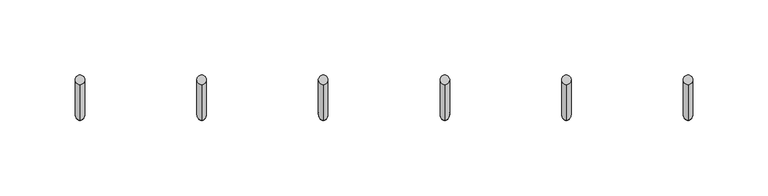
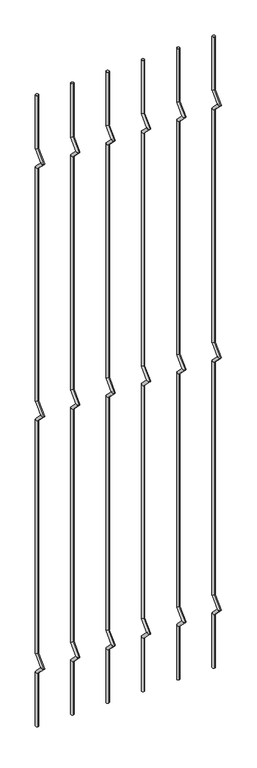
"""IFC4 building model written with IfcOpenShell, lengths in millimetres: railing geometry."""

import ifcopenshell
import ifcopenshell.guid

model = None  # the IFC model being written
_history = None  # IfcOwnerHistory: only IFC2X3 demands one
_inside = {}  # id of a spatial element -> (the spatial element, [elements in it])
_under = {}  # id of a project, library or spatial element -> (it, [spatial elements below it])
_declared = {}  # id of a project -> (the project, [libraries it declares])
_typed = {}  # id of a type object -> (the type object, [elements of that type])
_made_of = {}  # id of a material, layer set ... -> (it, [elements and type objects made of it])


def new_model(schema):
    """Start an empty IFC model of exactly this schema.

    Asked for "IFC4X3", IfcOpenShell would pick the latest addendum, in which some entities
    have other attributes; the version numbers below select the first issue.
    IFC2X3 requires an IfcOwnerHistory on every rooted entity: one is made here for all.
    """
    global model, _history
    if schema == "IFC4X3":
        model = ifcopenshell.file(schema_version=(4, 3, 0, 0))
    else:
        model = ifcopenshell.file(schema=schema)
    _inside.clear()
    _under.clear()
    _declared.clear()
    _typed.clear()
    _made_of.clear()
    _history = None
    if model.schema == "IFC2X3":
        org = make("IfcOrganization", Name="unknown")
        user = make(
            "IfcPersonAndOrganization",
            ThePerson=make("IfcPerson", FamilyName="unknown"),
            TheOrganization=org,
        )
        app = make(
            "IfcApplication",
            ApplicationDeveloper=org,
            Version="unknown",
            ApplicationFullName="unknown",
            ApplicationIdentifier="unknown",
        )
        _history = make(
            "IfcOwnerHistory",
            OwningUser=user,
            OwningApplication=app,
            ChangeAction="ADDED",
            CreationDate=0,
        )
    return model


def make(cls, **values):
    """One entity of the class cls with the attributes given. An attribute that is None is left unset."""
    return model.create_entity(
        cls, **{name: value for name, value in values.items() if value is not None}
    )


def rooted(cls, **values):
    """An entity with a GlobalId (a new one), such as an element, a storey or a relation."""
    return make(cls, GlobalId=ifcopenshell.guid.new(), OwnerHistory=_history, **values)


def si_unit(unit_type, name, prefix=None):
    """IfcSIUnit, for example si_unit("LENGTHUNIT", "METRE", prefix="MILLI")."""
    return make("IfcSIUnit", UnitType=unit_type, Prefix=prefix, Name=name)


def assignment(units):
    """IfcUnitAssignment: the units of a project."""
    return None if units is None else make("IfcUnitAssignment", Units=units)


def point(xyz):
    """IfcCartesianPoint."""
    return None if xyz is None else make("IfcCartesianPoint", Coordinates=xyz)


def direction(xyz):
    """IfcDirection."""
    return None if xyz is None else make("IfcDirection", DirectionRatios=xyz)


def frame(location, z_axis=None, x_axis=None):
    """IfcAxis2Placement3D, a coordinate frame: its origin and axes. An axis left out is left unset."""
    return make(
        "IfcAxis2Placement3D",
        Location=point(location),
        Axis=direction(z_axis),
        RefDirection=direction(x_axis),
    )


def origin():
    """The frame at (0, 0, 0) with its axes left unset."""
    return frame((0.0, 0.0, 0.0))


def place(relative_to, where):
    """IfcLocalPlacement: puts the frame where relative to a parent placement (None: the world)."""
    return make(
        "IfcLocalPlacement", PlacementRelTo=relative_to, RelativePlacement=where
    )


def context(
    kind, dimensions, precision=None, world=None, true_north=None, identifier=None
):
    """IfcGeometricRepresentationContext, for example the 3D "Model" context."""
    return make(
        "IfcGeometricRepresentationContext",
        ContextIdentifier=identifier,
        ContextType=kind,
        CoordinateSpaceDimension=dimensions,
        Precision=precision,
        WorldCoordinateSystem=world,
        TrueNorth=true_north,
    )


def project(units=None, contexts=None):
    """IfcProject with its units and contexts."""
    return rooted(
        "IfcProject",
        Name="project",
        RepresentationContexts=contexts,
        UnitsInContext=assignment(units),
    )


def spatial(cls, under=None, at=None, **own):
    """A site, building, storey or space (cls), placed at a placement, below another one or the project."""
    s = rooted(cls, ObjectPlacement=at, **own)
    if under is not None:
        _under.setdefault(under.id(), (under, []))[1].append(s)
    return s


def circle_curve(where, radius):
    """IfcCircle in the frame where."""
    return make("IfcCircle", Position=where, Radius=radius)


def ellipse_curve(where, semi_axis1, semi_axis2):
    """IfcEllipse in the frame where."""
    return make(
        "IfcEllipse", Position=where, SemiAxis1=semi_axis1, SemiAxis2=semi_axis2
    )


def shape(context_of_items, identifier, shape_type, items):
    """IfcShapeRepresentation: the items that make up one representation, for example the "Body"."""
    return make(
        "IfcShapeRepresentation",
        ContextOfItems=context_of_items,
        RepresentationIdentifier=identifier,
        RepresentationType=shape_type,
        Items=items,
    )


def source(mapping_origin, context_of_items, identifier, shape_type, items):
    """IfcRepresentationMap: a shape defined once, which mapped items show again and again."""
    return make(
        "IfcRepresentationMap",
        MappingOrigin=mapping_origin,
        MappedRepresentation=shape(context_of_items, identifier, shape_type, items),
    )


def transform(
    local_origin,
    x_axis=None,
    y_axis=None,
    z_axis=None,
    scale=None,
    scale2=None,
    scale3=None,
    uniform=True,
):
    """IfcCartesianTransformationOperator3D, or its non-uniform kind. x_axis, y_axis, z_axis: its Axis1, 2, 3."""
    if uniform:
        return make(
            "IfcCartesianTransformationOperator3D",
            Axis1=direction(x_axis),
            Axis2=direction(y_axis),
            LocalOrigin=point(local_origin),
            Scale=scale,
            Axis3=direction(z_axis),
        )
    return make(
        "IfcCartesianTransformationOperator3DnonUniform",
        Axis1=direction(x_axis),
        Axis2=direction(y_axis),
        LocalOrigin=point(local_origin),
        Scale=scale,
        Axis3=direction(z_axis),
        Scale2=scale2,
        Scale3=scale3,
    )


def mapped(mapping_source, mapping_target):
    """IfcMappedItem: shows the shape of a source again, moved by a transform."""
    return make(
        "IfcMappedItem", MappingSource=mapping_source, MappingTarget=mapping_target
    )


def made_of(thing, what):
    """Note that an element or type object is made of a material, layer set ...; save() writes the relation."""
    if what is not None:
        _made_of.setdefault(what.id(), (what, []))[1].append(thing)
    return thing


def element(
    cls,
    number,
    at=None,
    inside=None,
    cuts=None,
    type_object=None,
    material=None,
    context=None,
    identifier="Body",
    shape_type=None,
    held_by="IfcProductDefinitionShape",
    body=None,
    shapes=None,
    **own,
):
    """One element of the class cls, such as IfcWall. Its Tag is "e" and its number.

    at: its placement. inside: the storey or other place that contains it. cuts: it is an
    opening in that element (IfcRelVoidsElement). A single representation is given by context,
    identifier, shape_type and body (its items); several are given by shapes. held_by: the class
    of the entity that holds the representations. save() writes the other relations.
    """
    e = rooted(cls, Tag="e%d" % number, ObjectPlacement=at, **own)
    if body is not None:
        shapes = [shape(context, identifier, shape_type, body)]
    if shapes is not None:
        e.Representation = make(held_by, Representations=shapes)
    if inside is not None:
        _inside.setdefault(inside.id(), (inside, []))[1].append(e)
    if cuts is not None:
        rooted(
            "IfcRelVoidsElement", RelatingBuildingElement=cuts, RelatedOpeningElement=e
        )
    if type_object is not None:
        _typed.setdefault(type_object.id(), (type_object, []))[1].append(e)
    return made_of(e, material)


def aggregate(whole, parts):
    """IfcRelAggregates: a whole, such as a stair, and the parts it consists of."""
    return rooted("IfcRelAggregates", RelatingObject=whole, RelatedObjects=parts)


def save(model, path):
    """Write the relations noted so far, then the file.

    IfcRelAggregates (storeys below a building ...), IfcRelContainedInSpatialStructure (elements
    in a storey), IfcRelDefinesByType, IfcRelAssociatesMaterial and IfcRelDeclares: one each for
    every whole, place, type object, material and project.
    """
    for whole, parts in _under.values():
        aggregate(whole, parts)
    for where, things in _inside.values():
        rooted(
            "IfcRelContainedInSpatialStructure",
            RelatedElements=things,
            RelatingStructure=where,
        )
    for kind, things in _typed.values():
        rooted("IfcRelDefinesByType", RelatedObjects=things, RelatingType=kind)
    for what, things in _made_of.values():
        rooted("IfcRelAssociatesMaterial", RelatedObjects=things, RelatingMaterial=what)
    for by, libraries in _declared.values():
        rooted("IfcRelDeclares", RelatingContext=by, RelatedDefinitions=libraries)
    model.write(path)


def plane_surface(at):
    """IfcPlane: the flat surface through the origin of the frame at, square to its z axis."""
    return make("IfcPlane", Position=at)


def cylinder_surface(at, radius):
    """IfcCylindricalSurface: all points at the distance radius from the z axis of the frame at."""
    return make("IfcCylindricalSurface", Position=at, Radius=radius)


def advanced_brep(points, edges, surfaces, faces):
    """IfcAdvancedBrep: a solid bounded by faces that lie on surfaces and meet in shared edges.

    An edge is (start, end): straight between two places in points (the first is 0);
    or (start, end, curve); or (start, end, curve, False) where it runs against its curve.
    A face is (place in surfaces, loops), or (place, loops, False) where it looks against
    its surface's normal. A loop lists edges by number (the first is 1), with a minus sign
    where the edge is run from its end to its start. The first loop is the outer one.
    """
    corners = [point(p) for p in points]
    vertices = [make("IfcVertexPoint", VertexGeometry=c) for c in corners]
    made = []
    for start, end, *more in edges:
        made.append(
            make(
                "IfcEdgeCurve",
                EdgeStart=vertices[start],
                EdgeEnd=vertices[end],
                EdgeGeometry=more[0] if more else make("IfcPolyline", Points=[corners[start], corners[end]]),
                SameSense=more[1] if len(more) > 1 else True,
            )
        )
    hull = []
    for where, loops, *sense in faces:
        bounds = []
        for j, loop in enumerate(loops):
            ring = [make("IfcOrientedEdge", EdgeElement=made[abs(k) - 1], Orientation=k > 0) for k in loop]
            bounds.append(
                make(
                    "IfcFaceOuterBound" if j == 0 else "IfcFaceBound",
                    Bound=make("IfcEdgeLoop", EdgeList=ring),
                    Orientation=True,
                )
            )
        hull.append(make("IfcAdvancedFace", Bounds=bounds, FaceSurface=surfaces[where], SameSense=sense[0] if sense else True))
    return make("IfcAdvancedBrep", Outer=make("IfcClosedShell", CfsFaces=hull))


def railing_bf6b265c(model_context):
    return source(origin(), model_context, "Body", "AdvancedBrep", [
        advanced_brep(
        [(-17999.7490291, 13589.3554142, 25.4), (-17999.7490291, 13583.0054142, 25.4), (-17999.7490291, 13583.0054142, 154.0342316), (-17999.7490291, 13589.3554142, 156.6644878), (-17999.7490291, 13559.2396458, 177.8), (-17999.7490291, 13568.219902, 177.8), (-17999.7490291, 13583.0054142, 201.5657684), (-17999.7490291, 13589.3554142, 198.9355122), (-17999.7490291, 13583.0054142, 763.6342316), (-17999.7490291, 13589.3554142, 766.2644878), (-17999.7490291, 13559.2396458, 787.4), (-17999.7490291, 13568.219902, 787.4), (-17999.7490291, 13583.0054142, 811.1657684), (-17999.7490291, 13589.3554142, 808.5355122), (-17999.7490291, 13583.0054142, 1373.2342316), (-17999.7490291, 13589.3554142, 1375.8644878), (-17999.7490291, 13559.2396458, 1397.0), (-17999.7490291, 13568.219902, 1397.0), (-17999.7490291, 13583.0054142, 1420.7657684), (-17999.7490291, 13589.3554142, 1418.1355122), (-17999.7490291, 13589.3554142, 1549.4), (-17999.7490291, 13583.0054142, 1549.4)],
        [
            (0, 1, circle_curve(frame((-17999.7490291, 13586.1804142, 25.4), z_axis=(0.0, 0.0, -1.0), x_axis=(0.0, -1.0, 0.0)), 3.175)),
            (1, 0, circle_curve(frame((-17999.7490291, 13586.1804142, 25.4), z_axis=(0.0, 0.0, -1.0), x_axis=(0.0, -1.0, 0.0)), 3.175)),
            (1, 2),
            (2, 3, ellipse_curve(frame((-17999.7490291, 13586.1804142, 155.3493597), z_axis=(0.0, 0.3826834323650955, -0.9238795325112844), x_axis=(0.0, -0.9238795325112845, -0.38268343236509544)), 3.4365952, 3.175)),
            (3, 0),
            (3, 2, ellipse_curve(frame((-17999.7490291, 13586.1804142, 155.3493597), z_axis=(0.0, 0.3826834323650955, -0.9238795325112844), x_axis=(0.0, -0.9238795325112845, -0.38268343236509544)), 3.4365952, 3.175)),
            (2, 4),
            (4, 5, ellipse_curve(frame((-17999.7490291, 13563.7297739, 177.8), z_axis=(0.0, 0.0, -1.0), x_axis=(0.0, 1.0, 0.0)), 4.4901281, 3.175)),
            (5, 3),
            (5, 4, ellipse_curve(frame((-17999.7490291, 13563.7297739, 177.8), z_axis=(0.0, 0.0, -1.0), x_axis=(0.0, 1.0, 0.0)), 4.4901281, 3.175)),
            (4, 6),
            (6, 7, ellipse_curve(frame((-17999.7490291, 13586.1804142, 200.2506403), z_axis=(0.0, -0.3826834323650839, -0.9238795325112892), x_axis=(0.0, -0.9238795325112893, 0.38268343236508373)), 3.4365952, 3.175)),
            (7, 5),
            (7, 6, ellipse_curve(frame((-17999.7490291, 13586.1804142, 200.2506403), z_axis=(0.0, -0.3826834323650839, -0.9238795325112892), x_axis=(0.0, -0.9238795325112893, 0.38268343236508373)), 3.4365952, 3.175)),
            (6, 8),
            (8, 9, ellipse_curve(frame((-17999.7490291, 13586.1804142, 764.9493597), z_axis=(0.0, 0.3826834323651107, -0.9238795325112781), x_axis=(0.0, -0.9238795325112781, -0.3826834323651108)), 3.4365952, 3.175)),
            (9, 7),
            (9, 8, ellipse_curve(frame((-17999.7490291, 13586.1804142, 764.9493597), z_axis=(0.0, 0.3826834323651107, -0.9238795325112781), x_axis=(0.0, -0.9238795325112781, -0.3826834323651108)), 3.4365952, 3.175)),
            (8, 10),
            (10, 11, ellipse_curve(frame((-17999.7490291, 13563.7297739, 787.4), z_axis=(0.0, 0.0, -1.0), x_axis=(0.0, 1.0, 0.0)), 4.4901281, 3.175)),
            (11, 9),
            (11, 10, ellipse_curve(frame((-17999.7490291, 13563.7297739, 787.4), z_axis=(0.0, 0.0, -1.0), x_axis=(0.0, 1.0, 0.0)), 4.4901281, 3.175)),
            (10, 12),
            (12, 13, ellipse_curve(frame((-17999.7490291, 13586.1804142, 809.8506403), z_axis=(0.0, -0.3826834323650702, -0.9238795325112948), x_axis=(0.0, -0.9238795325112948, 0.38268343236507046)), 3.4365952, 3.175)),
            (13, 11),
            (13, 12, ellipse_curve(frame((-17999.7490291, 13586.1804142, 809.8506403), z_axis=(0.0, -0.3826834323650702, -0.9238795325112948), x_axis=(0.0, -0.9238795325112948, 0.38268343236507046)), 3.4365952, 3.175)),
            (12, 14),
            (14, 15, ellipse_curve(frame((-17999.7490291, 13586.1804142, 1374.5493597), z_axis=(0.0, 0.3826834323650811, -0.9238795325112903), x_axis=(0.0, -0.9238795325112901, -0.3826834323650815)), 3.4365952, 3.175)),
            (15, 13),
            (15, 14, ellipse_curve(frame((-17999.7490291, 13586.1804142, 1374.5493597), z_axis=(0.0, 0.3826834323650811, -0.9238795325112903), x_axis=(0.0, -0.9238795325112901, -0.3826834323650815)), 3.4365952, 3.175)),
            (14, 16),
            (16, 17, ellipse_curve(frame((-17999.7490291, 13563.7297739, 1397.0), z_axis=(0.0, 0.0, -1.0), x_axis=(0.0, 1.0, 0.0)), 4.4901281, 3.175)),
            (17, 15),
            (17, 16, ellipse_curve(frame((-17999.7490291, 13563.7297739, 1397.0), z_axis=(0.0, 0.0, -1.0), x_axis=(0.0, 1.0, 0.0)), 4.4901281, 3.175)),
            (16, 18),
            (18, 19, ellipse_curve(frame((-17999.7490291, 13586.1804142, 1419.4506403), z_axis=(0.0, -0.38268343236509844, -0.9238795325112833), x_axis=(0.0, -0.9238795325112827, 0.38268343236509916)), 3.4365952, 3.175)),
            (19, 17),
            (19, 18, ellipse_curve(frame((-17999.7490291, 13586.1804142, 1419.4506403), z_axis=(0.0, -0.38268343236509844, -0.9238795325112833), x_axis=(0.0, -0.9238795325112827, 0.38268343236509916)), 3.4365952, 3.175)),
            (20, 21, circle_curve(frame((-17999.7490291, 13586.1804142, 1549.4), z_axis=(0.0, 0.0, 1.0), x_axis=(0.0, -1.0, 0.0)), 3.175)),
            (21, 20, circle_curve(frame((-17999.7490291, 13586.1804142, 1549.4), z_axis=(0.0, 0.0, 1.0), x_axis=(0.0, -1.0, 0.0)), 3.175)),
            (18, 21),
            (20, 19),
        ],
        [
            plane_surface(frame((-17999.7490291, 13586.1804142, 25.4), z_axis=(0.0, 0.0, -1.0), x_axis=(-1.0, 0.0, 0.0))),
            cylinder_surface(frame((-17999.7490291, 13586.1804142, 25.4), z_axis=(0.0, 0.0, -1.0), x_axis=(0.0, -1.0, 0.0)), 3.175),
            cylinder_surface(frame((-17999.7490291, 13586.1804142, 155.3493597), z_axis=(0.0, 0.7071067811865563, -0.7071067811865388), x_axis=(0.0, -0.7071067811865388, -0.7071067811865563)), 3.175),
            cylinder_surface(frame((-17999.7490291, 13563.7297739, 177.8), z_axis=(0.0, -0.7071067811865385, -0.7071067811865568), x_axis=(0.0, -0.7071067811865568, 0.7071067811865385)), 3.175),
            cylinder_surface(frame((-17999.7490291, 13586.1804142, 200.2506403), z_axis=(0.0, 0.0, -1.0), x_axis=(0.0, -1.0, 0.0)), 3.175),
            cylinder_surface(frame((-17999.7490291, 13586.1804142, 764.9493597), z_axis=(0.0, 0.7071067811865798, -0.7071067811865153), x_axis=(0.0, -0.7071067811865153, -0.7071067811865798)), 3.175),
            cylinder_surface(frame((-17999.7490291, 13563.7297739, 787.4), z_axis=(0.0, -0.7071067811865173, -0.7071067811865779), x_axis=(0.0, -0.7071067811865779, 0.7071067811865173)), 3.175),
            cylinder_surface(frame((-17999.7490291, 13586.1804142, 809.8506403), z_axis=(0.0, 0.0, -1.0), x_axis=(0.0, -1.0, 0.0)), 3.175),
            cylinder_surface(frame((-17999.7490291, 13586.1804142, 1374.5493597), z_axis=(0.0, 0.7071067811865346, -0.7071067811865605), x_axis=(0.0, -0.7071067811865605, -0.7071067811865346)), 3.175),
            cylinder_surface(frame((-17999.7490291, 13563.7297739, 1397.0), z_axis=(0.0, -0.7071067811865608, -0.7071067811865344), x_axis=(0.0, -0.7071067811865344, 0.7071067811865608)), 3.175),
            plane_surface(frame((-17999.7490291, 13586.1804142, 1549.4), z_axis=(0.0, 0.0, 1.0), x_axis=(-1.0, 0.0, 0.0))),
            cylinder_surface(frame((-17999.7490291, 13586.1804142, 1419.4506403), z_axis=(0.0, 0.0, -1.0), x_axis=(0.0, -1.0, 0.0)), 3.175),
        ],
        [
            (0, [[1, 2]]),
            (1, [[3, 4, 5, -2]]),
            (1, [[-5, 6, -3, -1]]),
            (2, [[7, 8, 9, -4]]),
            (2, [[-9, 10, -7, -6]]),
            (3, [[11, 12, 13, -8]]),
            (3, [[-13, 14, -11, -10]]),
            (4, [[15, 16, 17, -12]]),
            (4, [[-17, 18, -15, -14]]),
            (5, [[19, 20, 21, -16]]),
            (5, [[-21, 22, -19, -18]]),
            (6, [[23, 24, 25, -20]]),
            (6, [[-25, 26, -23, -22]]),
            (7, [[27, 28, 29, -24]]),
            (7, [[-29, 30, -27, -26]]),
            (8, [[31, 32, 33, -28]]),
            (8, [[-33, 34, -31, -30]]),
            (9, [[35, 36, 37, -32]]),
            (9, [[-37, 38, -35, -34]]),
            (10, [[39, 40]]),
            (11, [[41, -39, 42, -36]]),
            (11, [[-42, -40, -41, -38]]),
        ],
    ),
        advanced_brep(
        [(-17918.8923624, 13589.3554142, 25.4), (-17918.8923624, 13583.0054142, 25.4), (-17918.8923624, 13583.0054142, 154.0342316), (-17918.8923624, 13589.3554142, 156.6644878), (-17918.8923624, 13559.2396458, 177.8), (-17918.8923624, 13568.219902, 177.8), (-17918.8923624, 13583.0054142, 201.5657684), (-17918.8923624, 13589.3554142, 198.9355122), (-17918.8923624, 13583.0054142, 763.6342316), (-17918.8923624, 13589.3554142, 766.2644878), (-17918.8923624, 13559.2396458, 787.4), (-17918.8923624, 13568.219902, 787.4), (-17918.8923624, 13583.0054142, 811.1657684), (-17918.8923624, 13589.3554142, 808.5355122), (-17918.8923624, 13583.0054142, 1373.2342316), (-17918.8923624, 13589.3554142, 1375.8644878), (-17918.8923624, 13559.2396458, 1397.0), (-17918.8923624, 13568.219902, 1397.0), (-17918.8923624, 13583.0054142, 1420.7657684), (-17918.8923624, 13589.3554142, 1418.1355122), (-17918.8923624, 13589.3554142, 1549.4), (-17918.8923624, 13583.0054142, 1549.4)],
        [
            (0, 1, circle_curve(frame((-17918.8923624, 13586.1804142, 25.4), z_axis=(0.0, 0.0, -1.0), x_axis=(0.0, -1.0, 0.0)), 3.175)),
            (1, 0, circle_curve(frame((-17918.8923624, 13586.1804142, 25.4), z_axis=(0.0, 0.0, -1.0), x_axis=(0.0, -1.0, 0.0)), 3.175)),
            (1, 2),
            (2, 3, ellipse_curve(frame((-17918.8923624, 13586.1804142, 155.3493597), z_axis=(0.0, 0.3826834323650955, -0.9238795325112844), x_axis=(0.0, -0.9238795325112845, -0.38268343236509544)), 3.4365952, 3.175)),
            (3, 0),
            (3, 2, ellipse_curve(frame((-17918.8923624, 13586.1804142, 155.3493597), z_axis=(0.0, 0.3826834323650955, -0.9238795325112844), x_axis=(0.0, -0.9238795325112845, -0.38268343236509544)), 3.4365952, 3.175)),
            (2, 4),
            (4, 5, ellipse_curve(frame((-17918.8923624, 13563.7297739, 177.8), z_axis=(0.0, 0.0, -1.0), x_axis=(0.0, 1.0, 0.0)), 4.4901281, 3.175)),
            (5, 3),
            (5, 4, ellipse_curve(frame((-17918.8923624, 13563.7297739, 177.8), z_axis=(0.0, 0.0, -1.0), x_axis=(0.0, 1.0, 0.0)), 4.4901281, 3.175)),
            (4, 6),
            (6, 7, ellipse_curve(frame((-17918.8923624, 13586.1804142, 200.2506403), z_axis=(0.0, -0.3826834323650839, -0.9238795325112892), x_axis=(0.0, -0.9238795325112893, 0.38268343236508373)), 3.4365952, 3.175)),
            (7, 5),
            (7, 6, ellipse_curve(frame((-17918.8923624, 13586.1804142, 200.2506403), z_axis=(0.0, -0.3826834323650839, -0.9238795325112892), x_axis=(0.0, -0.9238795325112893, 0.38268343236508373)), 3.4365952, 3.175)),
            (6, 8),
            (8, 9, ellipse_curve(frame((-17918.8923624, 13586.1804142, 764.9493597), z_axis=(0.0, 0.3826834323651107, -0.9238795325112781), x_axis=(0.0, -0.9238795325112781, -0.3826834323651108)), 3.4365952, 3.175)),
            (9, 7),
            (9, 8, ellipse_curve(frame((-17918.8923624, 13586.1804142, 764.9493597), z_axis=(0.0, 0.3826834323651107, -0.9238795325112781), x_axis=(0.0, -0.9238795325112781, -0.3826834323651108)), 3.4365952, 3.175)),
            (8, 10),
            (10, 11, ellipse_curve(frame((-17918.8923624, 13563.7297739, 787.4), z_axis=(0.0, 0.0, -1.0), x_axis=(0.0, 1.0, 0.0)), 4.4901281, 3.175)),
            (11, 9),
            (11, 10, ellipse_curve(frame((-17918.8923624, 13563.7297739, 787.4), z_axis=(0.0, 0.0, -1.0), x_axis=(0.0, 1.0, 0.0)), 4.4901281, 3.175)),
            (10, 12),
            (12, 13, ellipse_curve(frame((-17918.8923624, 13586.1804142, 809.8506403), z_axis=(0.0, -0.3826834323650702, -0.9238795325112948), x_axis=(0.0, -0.9238795325112948, 0.38268343236507046)), 3.4365952, 3.175)),
            (13, 11),
            (13, 12, ellipse_curve(frame((-17918.8923624, 13586.1804142, 809.8506403), z_axis=(0.0, -0.3826834323650702, -0.9238795325112948), x_axis=(0.0, -0.9238795325112948, 0.38268343236507046)), 3.4365952, 3.175)),
            (12, 14),
            (14, 15, ellipse_curve(frame((-17918.8923624, 13586.1804142, 1374.5493597), z_axis=(0.0, 0.3826834323650811, -0.9238795325112903), x_axis=(0.0, -0.9238795325112901, -0.3826834323650815)), 3.4365952, 3.175)),
            (15, 13),
            (15, 14, ellipse_curve(frame((-17918.8923624, 13586.1804142, 1374.5493597), z_axis=(0.0, 0.3826834323650811, -0.9238795325112903), x_axis=(0.0, -0.9238795325112901, -0.3826834323650815)), 3.4365952, 3.175)),
            (14, 16),
            (16, 17, ellipse_curve(frame((-17918.8923624, 13563.7297739, 1397.0), z_axis=(0.0, 0.0, -1.0), x_axis=(0.0, 1.0, 0.0)), 4.4901281, 3.175)),
            (17, 15),
            (17, 16, ellipse_curve(frame((-17918.8923624, 13563.7297739, 1397.0), z_axis=(0.0, 0.0, -1.0), x_axis=(0.0, 1.0, 0.0)), 4.4901281, 3.175)),
            (16, 18),
            (18, 19, ellipse_curve(frame((-17918.8923624, 13586.1804142, 1419.4506403), z_axis=(0.0, -0.38268343236509844, -0.9238795325112833), x_axis=(0.0, -0.9238795325112827, 0.38268343236509916)), 3.4365952, 3.175)),
            (19, 17),
            (19, 18, ellipse_curve(frame((-17918.8923624, 13586.1804142, 1419.4506403), z_axis=(0.0, -0.38268343236509844, -0.9238795325112833), x_axis=(0.0, -0.9238795325112827, 0.38268343236509916)), 3.4365952, 3.175)),
            (20, 21, circle_curve(frame((-17918.8923624, 13586.1804142, 1549.4), z_axis=(0.0, 0.0, 1.0), x_axis=(0.0, -1.0, 0.0)), 3.175)),
            (21, 20, circle_curve(frame((-17918.8923624, 13586.1804142, 1549.4), z_axis=(0.0, 0.0, 1.0), x_axis=(0.0, -1.0, 0.0)), 3.175)),
            (18, 21),
            (20, 19),
        ],
        [
            plane_surface(frame((-17918.8923624, 13586.1804142, 25.4), z_axis=(0.0, 0.0, -1.0), x_axis=(-1.0, 0.0, 0.0))),
            cylinder_surface(frame((-17918.8923624, 13586.1804142, 25.4), z_axis=(0.0, 0.0, -1.0), x_axis=(0.0, -1.0, 0.0)), 3.175),
            cylinder_surface(frame((-17918.8923624, 13586.1804142, 155.3493597), z_axis=(0.0, 0.7071067811865563, -0.7071067811865388), x_axis=(0.0, -0.7071067811865388, -0.7071067811865563)), 3.175),
            cylinder_surface(frame((-17918.8923624, 13563.7297739, 177.8), z_axis=(0.0, -0.7071067811865385, -0.7071067811865568), x_axis=(0.0, -0.7071067811865568, 0.7071067811865385)), 3.175),
            cylinder_surface(frame((-17918.8923624, 13586.1804142, 200.2506403), z_axis=(0.0, 0.0, -1.0), x_axis=(0.0, -1.0, 0.0)), 3.175),
            cylinder_surface(frame((-17918.8923624, 13586.1804142, 764.9493597), z_axis=(0.0, 0.7071067811865798, -0.7071067811865153), x_axis=(0.0, -0.7071067811865153, -0.7071067811865798)), 3.175),
            cylinder_surface(frame((-17918.8923624, 13563.7297739, 787.4), z_axis=(0.0, -0.7071067811865173, -0.7071067811865779), x_axis=(0.0, -0.7071067811865779, 0.7071067811865173)), 3.175),
            cylinder_surface(frame((-17918.8923624, 13586.1804142, 809.8506403), z_axis=(0.0, 0.0, -1.0), x_axis=(0.0, -1.0, 0.0)), 3.175),
            cylinder_surface(frame((-17918.8923624, 13586.1804142, 1374.5493597), z_axis=(0.0, 0.7071067811865346, -0.7071067811865605), x_axis=(0.0, -0.7071067811865605, -0.7071067811865346)), 3.175),
            cylinder_surface(frame((-17918.8923624, 13563.7297739, 1397.0), z_axis=(0.0, -0.7071067811865608, -0.7071067811865344), x_axis=(0.0, -0.7071067811865344, 0.7071067811865608)), 3.175),
            plane_surface(frame((-17918.8923624, 13586.1804142, 1549.4), z_axis=(0.0, 0.0, 1.0), x_axis=(-1.0, 0.0, 0.0))),
            cylinder_surface(frame((-17918.8923624, 13586.1804142, 1419.4506403), z_axis=(0.0, 0.0, -1.0), x_axis=(0.0, -1.0, 0.0)), 3.175),
        ],
        [
            (0, [[1, 2]]),
            (1, [[3, 4, 5, -2]]),
            (1, [[-5, 6, -3, -1]]),
            (2, [[7, 8, 9, -4]]),
            (2, [[-9, 10, -7, -6]]),
            (3, [[11, 12, 13, -8]]),
            (3, [[-13, 14, -11, -10]]),
            (4, [[15, 16, 17, -12]]),
            (4, [[-17, 18, -15, -14]]),
            (5, [[19, 20, 21, -16]]),
            (5, [[-21, 22, -19, -18]]),
            (6, [[23, 24, 25, -20]]),
            (6, [[-25, 26, -23, -22]]),
            (7, [[27, 28, 29, -24]]),
            (7, [[-29, 30, -27, -26]]),
            (8, [[31, 32, 33, -28]]),
            (8, [[-33, 34, -31, -30]]),
            (9, [[35, 36, 37, -32]]),
            (9, [[-37, 38, -35, -34]]),
            (10, [[39, 40]]),
            (11, [[41, -39, 42, -36]]),
            (11, [[-42, -40, -41, -38]]),
        ],
    ),
        advanced_brep(
        [(-17838.0356958, 13589.3554142, 25.4), (-17838.0356958, 13583.0054142, 25.4), (-17838.0356958, 13583.0054142, 154.0342316), (-17838.0356958, 13589.3554142, 156.6644878), (-17838.0356958, 13559.2396458, 177.8), (-17838.0356958, 13568.219902, 177.8), (-17838.0356958, 13583.0054142, 201.5657684), (-17838.0356958, 13589.3554142, 198.9355122), (-17838.0356958, 13583.0054142, 763.6342316), (-17838.0356958, 13589.3554142, 766.2644878), (-17838.0356958, 13559.2396458, 787.4), (-17838.0356958, 13568.219902, 787.4), (-17838.0356958, 13583.0054142, 811.1657684), (-17838.0356958, 13589.3554142, 808.5355122), (-17838.0356958, 13583.0054142, 1373.2342316), (-17838.0356958, 13589.3554142, 1375.8644878), (-17838.0356958, 13559.2396458, 1397.0), (-17838.0356958, 13568.219902, 1397.0), (-17838.0356958, 13583.0054142, 1420.7657684), (-17838.0356958, 13589.3554142, 1418.1355122), (-17838.0356958, 13589.3554142, 1549.4), (-17838.0356958, 13583.0054142, 1549.4)],
        [
            (0, 1, circle_curve(frame((-17838.0356958, 13586.1804142, 25.4), z_axis=(0.0, 0.0, -1.0), x_axis=(0.0, -1.0, 0.0)), 3.175)),
            (1, 0, circle_curve(frame((-17838.0356958, 13586.1804142, 25.4), z_axis=(0.0, 0.0, -1.0), x_axis=(0.0, -1.0, 0.0)), 3.175)),
            (1, 2),
            (2, 3, ellipse_curve(frame((-17838.0356958, 13586.1804142, 155.3493597), z_axis=(0.0, 0.3826834323650955, -0.9238795325112844), x_axis=(0.0, -0.9238795325112845, -0.38268343236509544)), 3.4365952, 3.175)),
            (3, 0),
            (3, 2, ellipse_curve(frame((-17838.0356958, 13586.1804142, 155.3493597), z_axis=(0.0, 0.3826834323650955, -0.9238795325112844), x_axis=(0.0, -0.9238795325112845, -0.38268343236509544)), 3.4365952, 3.175)),
            (2, 4),
            (4, 5, ellipse_curve(frame((-17838.0356958, 13563.7297739, 177.8), z_axis=(0.0, 0.0, -1.0), x_axis=(0.0, 1.0, 0.0)), 4.4901281, 3.175)),
            (5, 3),
            (5, 4, ellipse_curve(frame((-17838.0356958, 13563.7297739, 177.8), z_axis=(0.0, 0.0, -1.0), x_axis=(0.0, 1.0, 0.0)), 4.4901281, 3.175)),
            (4, 6),
            (6, 7, ellipse_curve(frame((-17838.0356958, 13586.1804142, 200.2506403), z_axis=(0.0, -0.3826834323650839, -0.9238795325112892), x_axis=(0.0, -0.9238795325112893, 0.38268343236508373)), 3.4365952, 3.175)),
            (7, 5),
            (7, 6, ellipse_curve(frame((-17838.0356958, 13586.1804142, 200.2506403), z_axis=(0.0, -0.3826834323650839, -0.9238795325112892), x_axis=(0.0, -0.9238795325112893, 0.38268343236508373)), 3.4365952, 3.175)),
            (6, 8),
            (8, 9, ellipse_curve(frame((-17838.0356958, 13586.1804142, 764.9493597), z_axis=(0.0, 0.3826834323651107, -0.9238795325112781), x_axis=(0.0, -0.9238795325112781, -0.3826834323651108)), 3.4365952, 3.175)),
            (9, 7),
            (9, 8, ellipse_curve(frame((-17838.0356958, 13586.1804142, 764.9493597), z_axis=(0.0, 0.3826834323651107, -0.9238795325112781), x_axis=(0.0, -0.9238795325112781, -0.3826834323651108)), 3.4365952, 3.175)),
            (8, 10),
            (10, 11, ellipse_curve(frame((-17838.0356958, 13563.7297739, 787.4), z_axis=(0.0, 0.0, -1.0), x_axis=(0.0, 1.0, 0.0)), 4.4901281, 3.175)),
            (11, 9),
            (11, 10, ellipse_curve(frame((-17838.0356958, 13563.7297739, 787.4), z_axis=(0.0, 0.0, -1.0), x_axis=(0.0, 1.0, 0.0)), 4.4901281, 3.175)),
            (10, 12),
            (12, 13, ellipse_curve(frame((-17838.0356958, 13586.1804142, 809.8506403), z_axis=(0.0, -0.3826834323650702, -0.9238795325112948), x_axis=(0.0, -0.9238795325112948, 0.38268343236507046)), 3.4365952, 3.175)),
            (13, 11),
            (13, 12, ellipse_curve(frame((-17838.0356958, 13586.1804142, 809.8506403), z_axis=(0.0, -0.3826834323650702, -0.9238795325112948), x_axis=(0.0, -0.9238795325112948, 0.38268343236507046)), 3.4365952, 3.175)),
            (12, 14),
            (14, 15, ellipse_curve(frame((-17838.0356958, 13586.1804142, 1374.5493597), z_axis=(0.0, 0.3826834323650811, -0.9238795325112903), x_axis=(0.0, -0.9238795325112901, -0.3826834323650815)), 3.4365952, 3.175)),
            (15, 13),
            (15, 14, ellipse_curve(frame((-17838.0356958, 13586.1804142, 1374.5493597), z_axis=(0.0, 0.3826834323650811, -0.9238795325112903), x_axis=(0.0, -0.9238795325112901, -0.3826834323650815)), 3.4365952, 3.175)),
            (14, 16),
            (16, 17, ellipse_curve(frame((-17838.0356958, 13563.7297739, 1397.0), z_axis=(0.0, 0.0, -1.0), x_axis=(0.0, 1.0, 0.0)), 4.4901281, 3.175)),
            (17, 15),
            (17, 16, ellipse_curve(frame((-17838.0356958, 13563.7297739, 1397.0), z_axis=(0.0, 0.0, -1.0), x_axis=(0.0, 1.0, 0.0)), 4.4901281, 3.175)),
            (16, 18),
            (18, 19, ellipse_curve(frame((-17838.0356958, 13586.1804142, 1419.4506403), z_axis=(0.0, -0.38268343236509844, -0.9238795325112833), x_axis=(0.0, -0.9238795325112827, 0.38268343236509916)), 3.4365952, 3.175)),
            (19, 17),
            (19, 18, ellipse_curve(frame((-17838.0356958, 13586.1804142, 1419.4506403), z_axis=(0.0, -0.38268343236509844, -0.9238795325112833), x_axis=(0.0, -0.9238795325112827, 0.38268343236509916)), 3.4365952, 3.175)),
            (20, 21, circle_curve(frame((-17838.0356958, 13586.1804142, 1549.4), z_axis=(0.0, 0.0, 1.0), x_axis=(0.0, -1.0, 0.0)), 3.175)),
            (21, 20, circle_curve(frame((-17838.0356958, 13586.1804142, 1549.4), z_axis=(0.0, 0.0, 1.0), x_axis=(0.0, -1.0, 0.0)), 3.175)),
            (18, 21),
            (20, 19),
        ],
        [
            plane_surface(frame((-17838.0356958, 13586.1804142, 25.4), z_axis=(0.0, 0.0, -1.0), x_axis=(-1.0, 0.0, 0.0))),
            cylinder_surface(frame((-17838.0356958, 13586.1804142, 25.4), z_axis=(0.0, 0.0, -1.0), x_axis=(0.0, -1.0, 0.0)), 3.175),
            cylinder_surface(frame((-17838.0356958, 13586.1804142, 155.3493597), z_axis=(0.0, 0.7071067811865563, -0.7071067811865388), x_axis=(0.0, -0.7071067811865388, -0.7071067811865563)), 3.175),
            cylinder_surface(frame((-17838.0356958, 13563.7297739, 177.8), z_axis=(0.0, -0.7071067811865385, -0.7071067811865568), x_axis=(0.0, -0.7071067811865568, 0.7071067811865385)), 3.175),
            cylinder_surface(frame((-17838.0356958, 13586.1804142, 200.2506403), z_axis=(0.0, 0.0, -1.0), x_axis=(0.0, -1.0, 0.0)), 3.175),
            cylinder_surface(frame((-17838.0356958, 13586.1804142, 764.9493597), z_axis=(0.0, 0.7071067811865798, -0.7071067811865153), x_axis=(0.0, -0.7071067811865153, -0.7071067811865798)), 3.175),
            cylinder_surface(frame((-17838.0356958, 13563.7297739, 787.4), z_axis=(0.0, -0.7071067811865173, -0.7071067811865779), x_axis=(0.0, -0.7071067811865779, 0.7071067811865173)), 3.175),
            cylinder_surface(frame((-17838.0356958, 13586.1804142, 809.8506403), z_axis=(0.0, 0.0, -1.0), x_axis=(0.0, -1.0, 0.0)), 3.175),
            cylinder_surface(frame((-17838.0356958, 13586.1804142, 1374.5493597), z_axis=(0.0, 0.7071067811865346, -0.7071067811865605), x_axis=(0.0, -0.7071067811865605, -0.7071067811865346)), 3.175),
            cylinder_surface(frame((-17838.0356958, 13563.7297739, 1397.0), z_axis=(0.0, -0.7071067811865608, -0.7071067811865344), x_axis=(0.0, -0.7071067811865344, 0.7071067811865608)), 3.175),
            plane_surface(frame((-17838.0356958, 13586.1804142, 1549.4), z_axis=(0.0, 0.0, 1.0), x_axis=(-1.0, 0.0, 0.0))),
            cylinder_surface(frame((-17838.0356958, 13586.1804142, 1419.4506403), z_axis=(0.0, 0.0, -1.0), x_axis=(0.0, -1.0, 0.0)), 3.175),
        ],
        [
            (0, [[1, 2]]),
            (1, [[3, 4, 5, -2]]),
            (1, [[-5, 6, -3, -1]]),
            (2, [[7, 8, 9, -4]]),
            (2, [[-9, 10, -7, -6]]),
            (3, [[11, 12, 13, -8]]),
            (3, [[-13, 14, -11, -10]]),
            (4, [[15, 16, 17, -12]]),
            (4, [[-17, 18, -15, -14]]),
            (5, [[19, 20, 21, -16]]),
            (5, [[-21, 22, -19, -18]]),
            (6, [[23, 24, 25, -20]]),
            (6, [[-25, 26, -23, -22]]),
            (7, [[27, 28, 29, -24]]),
            (7, [[-29, 30, -27, -26]]),
            (8, [[31, 32, 33, -28]]),
            (8, [[-33, 34, -31, -30]]),
            (9, [[35, 36, 37, -32]]),
            (9, [[-37, 38, -35, -34]]),
            (10, [[39, 40]]),
            (11, [[41, -39, 42, -36]]),
            (11, [[-42, -40, -41, -38]]),
        ],
    ),
        advanced_brep(
        [(-17757.1790291, 13589.3554142, 25.4), (-17757.1790291, 13583.0054142, 25.4), (-17757.1790291, 13583.0054142, 154.0342316), (-17757.1790291, 13589.3554142, 156.6644878), (-17757.1790291, 13559.2396458, 177.8), (-17757.1790291, 13568.219902, 177.8), (-17757.1790291, 13583.0054142, 201.5657684), (-17757.1790291, 13589.3554142, 198.9355122), (-17757.1790291, 13583.0054142, 763.6342316), (-17757.1790291, 13589.3554142, 766.2644878), (-17757.1790291, 13559.2396458, 787.4), (-17757.1790291, 13568.219902, 787.4), (-17757.1790291, 13583.0054142, 811.1657684), (-17757.1790291, 13589.3554142, 808.5355122), (-17757.1790291, 13583.0054142, 1373.2342316), (-17757.1790291, 13589.3554142, 1375.8644878), (-17757.1790291, 13559.2396458, 1397.0), (-17757.1790291, 13568.219902, 1397.0), (-17757.1790291, 13583.0054142, 1420.7657684), (-17757.1790291, 13589.3554142, 1418.1355122), (-17757.1790291, 13589.3554142, 1549.4), (-17757.1790291, 13583.0054142, 1549.4)],
        [
            (0, 1, circle_curve(frame((-17757.1790291, 13586.1804142, 25.4), z_axis=(0.0, 0.0, -1.0), x_axis=(0.0, -1.0, 0.0)), 3.175)),
            (1, 0, circle_curve(frame((-17757.1790291, 13586.1804142, 25.4), z_axis=(0.0, 0.0, -1.0), x_axis=(0.0, -1.0, 0.0)), 3.175)),
            (1, 2),
            (2, 3, ellipse_curve(frame((-17757.1790291, 13586.1804142, 155.3493597), z_axis=(0.0, 0.3826834323650955, -0.9238795325112844), x_axis=(0.0, -0.9238795325112845, -0.38268343236509544)), 3.4365952, 3.175)),
            (3, 0),
            (3, 2, ellipse_curve(frame((-17757.1790291, 13586.1804142, 155.3493597), z_axis=(0.0, 0.3826834323650955, -0.9238795325112844), x_axis=(0.0, -0.9238795325112845, -0.38268343236509544)), 3.4365952, 3.175)),
            (2, 4),
            (4, 5, ellipse_curve(frame((-17757.1790291, 13563.7297739, 177.8), z_axis=(0.0, 0.0, -1.0), x_axis=(0.0, 1.0, 0.0)), 4.4901281, 3.175)),
            (5, 3),
            (5, 4, ellipse_curve(frame((-17757.1790291, 13563.7297739, 177.8), z_axis=(0.0, 0.0, -1.0), x_axis=(0.0, 1.0, 0.0)), 4.4901281, 3.175)),
            (4, 6),
            (6, 7, ellipse_curve(frame((-17757.1790291, 13586.1804142, 200.2506403), z_axis=(0.0, -0.3826834323650839, -0.9238795325112892), x_axis=(0.0, -0.9238795325112893, 0.38268343236508373)), 3.4365952, 3.175)),
            (7, 5),
            (7, 6, ellipse_curve(frame((-17757.1790291, 13586.1804142, 200.2506403), z_axis=(0.0, -0.3826834323650839, -0.9238795325112892), x_axis=(0.0, -0.9238795325112893, 0.38268343236508373)), 3.4365952, 3.175)),
            (6, 8),
            (8, 9, ellipse_curve(frame((-17757.1790291, 13586.1804142, 764.9493597), z_axis=(0.0, 0.3826834323651107, -0.9238795325112781), x_axis=(0.0, -0.9238795325112781, -0.3826834323651108)), 3.4365952, 3.175)),
            (9, 7),
            (9, 8, ellipse_curve(frame((-17757.1790291, 13586.1804142, 764.9493597), z_axis=(0.0, 0.3826834323651107, -0.9238795325112781), x_axis=(0.0, -0.9238795325112781, -0.3826834323651108)), 3.4365952, 3.175)),
            (8, 10),
            (10, 11, ellipse_curve(frame((-17757.1790291, 13563.7297739, 787.4), z_axis=(0.0, 0.0, -1.0), x_axis=(0.0, 1.0, 0.0)), 4.4901281, 3.175)),
            (11, 9),
            (11, 10, ellipse_curve(frame((-17757.1790291, 13563.7297739, 787.4), z_axis=(0.0, 0.0, -1.0), x_axis=(0.0, 1.0, 0.0)), 4.4901281, 3.175)),
            (10, 12),
            (12, 13, ellipse_curve(frame((-17757.1790291, 13586.1804142, 809.8506403), z_axis=(0.0, -0.3826834323650702, -0.9238795325112948), x_axis=(0.0, -0.9238795325112948, 0.38268343236507046)), 3.4365952, 3.175)),
            (13, 11),
            (13, 12, ellipse_curve(frame((-17757.1790291, 13586.1804142, 809.8506403), z_axis=(0.0, -0.3826834323650702, -0.9238795325112948), x_axis=(0.0, -0.9238795325112948, 0.38268343236507046)), 3.4365952, 3.175)),
            (12, 14),
            (14, 15, ellipse_curve(frame((-17757.1790291, 13586.1804142, 1374.5493597), z_axis=(0.0, 0.3826834323650811, -0.9238795325112903), x_axis=(0.0, -0.9238795325112901, -0.3826834323650815)), 3.4365952, 3.175)),
            (15, 13),
            (15, 14, ellipse_curve(frame((-17757.1790291, 13586.1804142, 1374.5493597), z_axis=(0.0, 0.3826834323650811, -0.9238795325112903), x_axis=(0.0, -0.9238795325112901, -0.3826834323650815)), 3.4365952, 3.175)),
            (14, 16),
            (16, 17, ellipse_curve(frame((-17757.1790291, 13563.7297739, 1397.0), z_axis=(0.0, 0.0, -1.0), x_axis=(0.0, 1.0, 0.0)), 4.4901281, 3.175)),
            (17, 15),
            (17, 16, ellipse_curve(frame((-17757.1790291, 13563.7297739, 1397.0), z_axis=(0.0, 0.0, -1.0), x_axis=(0.0, 1.0, 0.0)), 4.4901281, 3.175)),
            (16, 18),
            (18, 19, ellipse_curve(frame((-17757.1790291, 13586.1804142, 1419.4506403), z_axis=(0.0, -0.38268343236509844, -0.9238795325112833), x_axis=(0.0, -0.9238795325112827, 0.38268343236509916)), 3.4365952, 3.175)),
            (19, 17),
            (19, 18, ellipse_curve(frame((-17757.1790291, 13586.1804142, 1419.4506403), z_axis=(0.0, -0.38268343236509844, -0.9238795325112833), x_axis=(0.0, -0.9238795325112827, 0.38268343236509916)), 3.4365952, 3.175)),
            (20, 21, circle_curve(frame((-17757.1790291, 13586.1804142, 1549.4), z_axis=(0.0, 0.0, 1.0), x_axis=(0.0, -1.0, 0.0)), 3.175)),
            (21, 20, circle_curve(frame((-17757.1790291, 13586.1804142, 1549.4), z_axis=(0.0, 0.0, 1.0), x_axis=(0.0, -1.0, 0.0)), 3.175)),
            (18, 21),
            (20, 19),
        ],
        [
            plane_surface(frame((-17757.1790291, 13586.1804142, 25.4), z_axis=(0.0, 0.0, -1.0), x_axis=(-1.0, 0.0, 0.0))),
            cylinder_surface(frame((-17757.1790291, 13586.1804142, 25.4), z_axis=(0.0, 0.0, -1.0), x_axis=(0.0, -1.0, 0.0)), 3.175),
            cylinder_surface(frame((-17757.1790291, 13586.1804142, 155.3493597), z_axis=(0.0, 0.7071067811865563, -0.7071067811865388), x_axis=(0.0, -0.7071067811865388, -0.7071067811865563)), 3.175),
            cylinder_surface(frame((-17757.1790291, 13563.7297739, 177.8), z_axis=(0.0, -0.7071067811865385, -0.7071067811865568), x_axis=(0.0, -0.7071067811865568, 0.7071067811865385)), 3.175),
            cylinder_surface(frame((-17757.1790291, 13586.1804142, 200.2506403), z_axis=(0.0, 0.0, -1.0), x_axis=(0.0, -1.0, 0.0)), 3.175),
            cylinder_surface(frame((-17757.1790291, 13586.1804142, 764.9493597), z_axis=(0.0, 0.7071067811865798, -0.7071067811865153), x_axis=(0.0, -0.7071067811865153, -0.7071067811865798)), 3.175),
            cylinder_surface(frame((-17757.1790291, 13563.7297739, 787.4), z_axis=(0.0, -0.7071067811865173, -0.7071067811865779), x_axis=(0.0, -0.7071067811865779, 0.7071067811865173)), 3.175),
            cylinder_surface(frame((-17757.1790291, 13586.1804142, 809.8506403), z_axis=(0.0, 0.0, -1.0), x_axis=(0.0, -1.0, 0.0)), 3.175),
            cylinder_surface(frame((-17757.1790291, 13586.1804142, 1374.5493597), z_axis=(0.0, 0.7071067811865346, -0.7071067811865605), x_axis=(0.0, -0.7071067811865605, -0.7071067811865346)), 3.175),
            cylinder_surface(frame((-17757.1790291, 13563.7297739, 1397.0), z_axis=(0.0, -0.7071067811865608, -0.7071067811865344), x_axis=(0.0, -0.7071067811865344, 0.7071067811865608)), 3.175),
            plane_surface(frame((-17757.1790291, 13586.1804142, 1549.4), z_axis=(0.0, 0.0, 1.0), x_axis=(-1.0, 0.0, 0.0))),
            cylinder_surface(frame((-17757.1790291, 13586.1804142, 1419.4506403), z_axis=(0.0, 0.0, -1.0), x_axis=(0.0, -1.0, 0.0)), 3.175),
        ],
        [
            (0, [[1, 2]]),
            (1, [[3, 4, 5, -2]]),
            (1, [[-5, 6, -3, -1]]),
            (2, [[7, 8, 9, -4]]),
            (2, [[-9, 10, -7, -6]]),
            (3, [[11, 12, 13, -8]]),
            (3, [[-13, 14, -11, -10]]),
            (4, [[15, 16, 17, -12]]),
            (4, [[-17, 18, -15, -14]]),
            (5, [[19, 20, 21, -16]]),
            (5, [[-21, 22, -19, -18]]),
            (6, [[23, 24, 25, -20]]),
            (6, [[-25, 26, -23, -22]]),
            (7, [[27, 28, 29, -24]]),
            (7, [[-29, 30, -27, -26]]),
            (8, [[31, 32, 33, -28]]),
            (8, [[-33, 34, -31, -30]]),
            (9, [[35, 36, 37, -32]]),
            (9, [[-37, 38, -35, -34]]),
            (10, [[39, 40]]),
            (11, [[41, -39, 42, -36]]),
            (11, [[-42, -40, -41, -38]]),
        ],
    ),
        advanced_brep(
        [(-17676.3223624, 13589.3554142, 25.4), (-17676.3223624, 13583.0054142, 25.4), (-17676.3223624, 13583.0054142, 154.0342316), (-17676.3223624, 13589.3554142, 156.6644878), (-17676.3223624, 13559.2396458, 177.8), (-17676.3223624, 13568.219902, 177.8), (-17676.3223624, 13583.0054142, 201.5657684), (-17676.3223624, 13589.3554142, 198.9355122), (-17676.3223624, 13583.0054142, 763.6342316), (-17676.3223624, 13589.3554142, 766.2644878), (-17676.3223624, 13559.2396458, 787.4), (-17676.3223624, 13568.219902, 787.4), (-17676.3223624, 13583.0054142, 811.1657684), (-17676.3223624, 13589.3554142, 808.5355122), (-17676.3223624, 13583.0054142, 1373.2342316), (-17676.3223624, 13589.3554142, 1375.8644878), (-17676.3223624, 13559.2396458, 1397.0), (-17676.3223624, 13568.219902, 1397.0), (-17676.3223624, 13583.0054142, 1420.7657684), (-17676.3223624, 13589.3554142, 1418.1355122), (-17676.3223624, 13589.3554142, 1549.4), (-17676.3223624, 13583.0054142, 1549.4)],
        [
            (0, 1, circle_curve(frame((-17676.3223624, 13586.1804142, 25.4), z_axis=(0.0, 0.0, -1.0), x_axis=(0.0, -1.0, 0.0)), 3.175)),
            (1, 0, circle_curve(frame((-17676.3223624, 13586.1804142, 25.4), z_axis=(0.0, 0.0, -1.0), x_axis=(0.0, -1.0, 0.0)), 3.175)),
            (1, 2),
            (2, 3, ellipse_curve(frame((-17676.3223624, 13586.1804142, 155.3493597), z_axis=(0.0, 0.3826834323650955, -0.9238795325112844), x_axis=(0.0, -0.9238795325112845, -0.38268343236509544)), 3.4365952, 3.175)),
            (3, 0),
            (3, 2, ellipse_curve(frame((-17676.3223624, 13586.1804142, 155.3493597), z_axis=(0.0, 0.3826834323650955, -0.9238795325112844), x_axis=(0.0, -0.9238795325112845, -0.38268343236509544)), 3.4365952, 3.175)),
            (2, 4),
            (4, 5, ellipse_curve(frame((-17676.3223624, 13563.7297739, 177.8), z_axis=(0.0, 0.0, -1.0), x_axis=(0.0, 1.0, 0.0)), 4.4901281, 3.175)),
            (5, 3),
            (5, 4, ellipse_curve(frame((-17676.3223624, 13563.7297739, 177.8), z_axis=(0.0, 0.0, -1.0), x_axis=(0.0, 1.0, 0.0)), 4.4901281, 3.175)),
            (4, 6),
            (6, 7, ellipse_curve(frame((-17676.3223624, 13586.1804142, 200.2506403), z_axis=(0.0, -0.3826834323650839, -0.9238795325112892), x_axis=(0.0, -0.9238795325112893, 0.38268343236508373)), 3.4365952, 3.175)),
            (7, 5),
            (7, 6, ellipse_curve(frame((-17676.3223624, 13586.1804142, 200.2506403), z_axis=(0.0, -0.3826834323650839, -0.9238795325112892), x_axis=(0.0, -0.9238795325112893, 0.38268343236508373)), 3.4365952, 3.175)),
            (6, 8),
            (8, 9, ellipse_curve(frame((-17676.3223624, 13586.1804142, 764.9493597), z_axis=(0.0, 0.3826834323651107, -0.9238795325112781), x_axis=(0.0, -0.9238795325112781, -0.3826834323651108)), 3.4365952, 3.175)),
            (9, 7),
            (9, 8, ellipse_curve(frame((-17676.3223624, 13586.1804142, 764.9493597), z_axis=(0.0, 0.3826834323651107, -0.9238795325112781), x_axis=(0.0, -0.9238795325112781, -0.3826834323651108)), 3.4365952, 3.175)),
            (8, 10),
            (10, 11, ellipse_curve(frame((-17676.3223624, 13563.7297739, 787.4), z_axis=(0.0, 0.0, -1.0), x_axis=(0.0, 1.0, 0.0)), 4.4901281, 3.175)),
            (11, 9),
            (11, 10, ellipse_curve(frame((-17676.3223624, 13563.7297739, 787.4), z_axis=(0.0, 0.0, -1.0), x_axis=(0.0, 1.0, 0.0)), 4.4901281, 3.175)),
            (10, 12),
            (12, 13, ellipse_curve(frame((-17676.3223624, 13586.1804142, 809.8506403), z_axis=(0.0, -0.3826834323650702, -0.9238795325112948), x_axis=(0.0, -0.9238795325112948, 0.38268343236507046)), 3.4365952, 3.175)),
            (13, 11),
            (13, 12, ellipse_curve(frame((-17676.3223624, 13586.1804142, 809.8506403), z_axis=(0.0, -0.3826834323650702, -0.9238795325112948), x_axis=(0.0, -0.9238795325112948, 0.38268343236507046)), 3.4365952, 3.175)),
            (12, 14),
            (14, 15, ellipse_curve(frame((-17676.3223624, 13586.1804142, 1374.5493597), z_axis=(0.0, 0.3826834323650811, -0.9238795325112903), x_axis=(0.0, -0.9238795325112901, -0.3826834323650815)), 3.4365952, 3.175)),
            (15, 13),
            (15, 14, ellipse_curve(frame((-17676.3223624, 13586.1804142, 1374.5493597), z_axis=(0.0, 0.3826834323650811, -0.9238795325112903), x_axis=(0.0, -0.9238795325112901, -0.3826834323650815)), 3.4365952, 3.175)),
            (14, 16),
            (16, 17, ellipse_curve(frame((-17676.3223624, 13563.7297739, 1397.0), z_axis=(0.0, 0.0, -1.0), x_axis=(0.0, 1.0, 0.0)), 4.4901281, 3.175)),
            (17, 15),
            (17, 16, ellipse_curve(frame((-17676.3223624, 13563.7297739, 1397.0), z_axis=(0.0, 0.0, -1.0), x_axis=(0.0, 1.0, 0.0)), 4.4901281, 3.175)),
            (16, 18),
            (18, 19, ellipse_curve(frame((-17676.3223624, 13586.1804142, 1419.4506403), z_axis=(0.0, -0.38268343236509844, -0.9238795325112833), x_axis=(0.0, -0.9238795325112827, 0.38268343236509916)), 3.4365952, 3.175)),
            (19, 17),
            (19, 18, ellipse_curve(frame((-17676.3223624, 13586.1804142, 1419.4506403), z_axis=(0.0, -0.38268343236509844, -0.9238795325112833), x_axis=(0.0, -0.9238795325112827, 0.38268343236509916)), 3.4365952, 3.175)),
            (20, 21, circle_curve(frame((-17676.3223624, 13586.1804142, 1549.4), z_axis=(0.0, 0.0, 1.0), x_axis=(0.0, -1.0, 0.0)), 3.175)),
            (21, 20, circle_curve(frame((-17676.3223624, 13586.1804142, 1549.4), z_axis=(0.0, 0.0, 1.0), x_axis=(0.0, -1.0, 0.0)), 3.175)),
            (18, 21),
            (20, 19),
        ],
        [
            plane_surface(frame((-17676.3223624, 13586.1804142, 25.4), z_axis=(0.0, 0.0, -1.0), x_axis=(-1.0, 0.0, 0.0))),
            cylinder_surface(frame((-17676.3223624, 13586.1804142, 25.4), z_axis=(0.0, 0.0, -1.0), x_axis=(0.0, -1.0, 0.0)), 3.175),
            cylinder_surface(frame((-17676.3223624, 13586.1804142, 155.3493597), z_axis=(0.0, 0.7071067811865563, -0.7071067811865388), x_axis=(0.0, -0.7071067811865388, -0.7071067811865563)), 3.175),
            cylinder_surface(frame((-17676.3223624, 13563.7297739, 177.8), z_axis=(0.0, -0.7071067811865385, -0.7071067811865568), x_axis=(0.0, -0.7071067811865568, 0.7071067811865385)), 3.175),
            cylinder_surface(frame((-17676.3223624, 13586.1804142, 200.2506403), z_axis=(0.0, 0.0, -1.0), x_axis=(0.0, -1.0, 0.0)), 3.175),
            cylinder_surface(frame((-17676.3223624, 13586.1804142, 764.9493597), z_axis=(0.0, 0.7071067811865798, -0.7071067811865153), x_axis=(0.0, -0.7071067811865153, -0.7071067811865798)), 3.175),
            cylinder_surface(frame((-17676.3223624, 13563.7297739, 787.4), z_axis=(0.0, -0.7071067811865173, -0.7071067811865779), x_axis=(0.0, -0.7071067811865779, 0.7071067811865173)), 3.175),
            cylinder_surface(frame((-17676.3223624, 13586.1804142, 809.8506403), z_axis=(0.0, 0.0, -1.0), x_axis=(0.0, -1.0, 0.0)), 3.175),
            cylinder_surface(frame((-17676.3223624, 13586.1804142, 1374.5493597), z_axis=(0.0, 0.7071067811865346, -0.7071067811865605), x_axis=(0.0, -0.7071067811865605, -0.7071067811865346)), 3.175),
            cylinder_surface(frame((-17676.3223624, 13563.7297739, 1397.0), z_axis=(0.0, -0.7071067811865608, -0.7071067811865344), x_axis=(0.0, -0.7071067811865344, 0.7071067811865608)), 3.175),
            plane_surface(frame((-17676.3223624, 13586.1804142, 1549.4), z_axis=(0.0, 0.0, 1.0), x_axis=(-1.0, 0.0, 0.0))),
            cylinder_surface(frame((-17676.3223624, 13586.1804142, 1419.4506403), z_axis=(0.0, 0.0, -1.0), x_axis=(0.0, -1.0, 0.0)), 3.175),
        ],
        [
            (0, [[1, 2]]),
            (1, [[3, 4, 5, -2]]),
            (1, [[-5, 6, -3, -1]]),
            (2, [[7, 8, 9, -4]]),
            (2, [[-9, 10, -7, -6]]),
            (3, [[11, 12, 13, -8]]),
            (3, [[-13, 14, -11, -10]]),
            (4, [[15, 16, 17, -12]]),
            (4, [[-17, 18, -15, -14]]),
            (5, [[19, 20, 21, -16]]),
            (5, [[-21, 22, -19, -18]]),
            (6, [[23, 24, 25, -20]]),
            (6, [[-25, 26, -23, -22]]),
            (7, [[27, 28, 29, -24]]),
            (7, [[-29, 30, -27, -26]]),
            (8, [[31, 32, 33, -28]]),
            (8, [[-33, 34, -31, -30]]),
            (9, [[35, 36, 37, -32]]),
            (9, [[-37, 38, -35, -34]]),
            (10, [[39, 40]]),
            (11, [[41, -39, 42, -36]]),
            (11, [[-42, -40, -41, -38]]),
        ],
    ),
        advanced_brep(
        [(-17595.4656958, 13589.3554142, 25.4), (-17595.4656958, 13583.0054142, 25.4), (-17595.4656958, 13583.0054142, 154.0342316), (-17595.4656958, 13589.3554142, 156.6644878), (-17595.4656958, 13559.2396458, 177.8), (-17595.4656958, 13568.219902, 177.8), (-17595.4656958, 13583.0054142, 201.5657684), (-17595.4656958, 13589.3554142, 198.9355122), (-17595.4656958, 13583.0054142, 763.6342316), (-17595.4656958, 13589.3554142, 766.2644878), (-17595.4656958, 13559.2396458, 787.4), (-17595.4656958, 13568.219902, 787.4), (-17595.4656958, 13583.0054142, 811.1657684), (-17595.4656958, 13589.3554142, 808.5355122), (-17595.4656958, 13583.0054142, 1373.2342316), (-17595.4656958, 13589.3554142, 1375.8644878), (-17595.4656958, 13559.2396458, 1397.0), (-17595.4656958, 13568.219902, 1397.0), (-17595.4656958, 13583.0054142, 1420.7657684), (-17595.4656958, 13589.3554142, 1418.1355122), (-17595.4656958, 13589.3554142, 1549.4), (-17595.4656958, 13583.0054142, 1549.4)],
        [
            (0, 1, circle_curve(frame((-17595.4656958, 13586.1804142, 25.4), z_axis=(0.0, 0.0, -1.0), x_axis=(0.0, -1.0, 0.0)), 3.175)),
            (1, 0, circle_curve(frame((-17595.4656958, 13586.1804142, 25.4), z_axis=(0.0, 0.0, -1.0), x_axis=(0.0, -1.0, 0.0)), 3.175)),
            (1, 2),
            (2, 3, ellipse_curve(frame((-17595.4656958, 13586.1804142, 155.3493597), z_axis=(0.0, 0.3826834323650955, -0.9238795325112844), x_axis=(0.0, -0.9238795325112845, -0.38268343236509544)), 3.4365952, 3.175)),
            (3, 0),
            (3, 2, ellipse_curve(frame((-17595.4656958, 13586.1804142, 155.3493597), z_axis=(0.0, 0.3826834323650955, -0.9238795325112844), x_axis=(0.0, -0.9238795325112845, -0.38268343236509544)), 3.4365952, 3.175)),
            (2, 4),
            (4, 5, ellipse_curve(frame((-17595.4656958, 13563.7297739, 177.8), z_axis=(0.0, 0.0, -1.0), x_axis=(0.0, 1.0, 0.0)), 4.4901281, 3.175)),
            (5, 3),
            (5, 4, ellipse_curve(frame((-17595.4656958, 13563.7297739, 177.8), z_axis=(0.0, 0.0, -1.0), x_axis=(0.0, 1.0, 0.0)), 4.4901281, 3.175)),
            (4, 6),
            (6, 7, ellipse_curve(frame((-17595.4656958, 13586.1804142, 200.2506403), z_axis=(0.0, -0.3826834323650839, -0.9238795325112892), x_axis=(0.0, -0.9238795325112893, 0.38268343236508373)), 3.4365952, 3.175)),
            (7, 5),
            (7, 6, ellipse_curve(frame((-17595.4656958, 13586.1804142, 200.2506403), z_axis=(0.0, -0.3826834323650839, -0.9238795325112892), x_axis=(0.0, -0.9238795325112893, 0.38268343236508373)), 3.4365952, 3.175)),
            (6, 8),
            (8, 9, ellipse_curve(frame((-17595.4656958, 13586.1804142, 764.9493597), z_axis=(0.0, 0.3826834323651107, -0.9238795325112781), x_axis=(0.0, -0.9238795325112781, -0.3826834323651108)), 3.4365952, 3.175)),
            (9, 7),
            (9, 8, ellipse_curve(frame((-17595.4656958, 13586.1804142, 764.9493597), z_axis=(0.0, 0.3826834323651107, -0.9238795325112781), x_axis=(0.0, -0.9238795325112781, -0.3826834323651108)), 3.4365952, 3.175)),
            (8, 10),
            (10, 11, ellipse_curve(frame((-17595.4656958, 13563.7297739, 787.4), z_axis=(0.0, 0.0, -1.0), x_axis=(0.0, 1.0, 0.0)), 4.4901281, 3.175)),
            (11, 9),
            (11, 10, ellipse_curve(frame((-17595.4656958, 13563.7297739, 787.4), z_axis=(0.0, 0.0, -1.0), x_axis=(0.0, 1.0, 0.0)), 4.4901281, 3.175)),
            (10, 12),
            (12, 13, ellipse_curve(frame((-17595.4656958, 13586.1804142, 809.8506403), z_axis=(0.0, -0.3826834323650702, -0.9238795325112948), x_axis=(0.0, -0.9238795325112948, 0.38268343236507046)), 3.4365952, 3.175)),
            (13, 11),
            (13, 12, ellipse_curve(frame((-17595.4656958, 13586.1804142, 809.8506403), z_axis=(0.0, -0.3826834323650702, -0.9238795325112948), x_axis=(0.0, -0.9238795325112948, 0.38268343236507046)), 3.4365952, 3.175)),
            (12, 14),
            (14, 15, ellipse_curve(frame((-17595.4656958, 13586.1804142, 1374.5493597), z_axis=(0.0, 0.3826834323650811, -0.9238795325112903), x_axis=(0.0, -0.9238795325112901, -0.3826834323650815)), 3.4365952, 3.175)),
            (15, 13),
            (15, 14, ellipse_curve(frame((-17595.4656958, 13586.1804142, 1374.5493597), z_axis=(0.0, 0.3826834323650811, -0.9238795325112903), x_axis=(0.0, -0.9238795325112901, -0.3826834323650815)), 3.4365952, 3.175)),
            (14, 16),
            (16, 17, ellipse_curve(frame((-17595.4656958, 13563.7297739, 1397.0), z_axis=(0.0, 0.0, -1.0), x_axis=(0.0, 1.0, 0.0)), 4.4901281, 3.175)),
            (17, 15),
            (17, 16, ellipse_curve(frame((-17595.4656958, 13563.7297739, 1397.0), z_axis=(0.0, 0.0, -1.0), x_axis=(0.0, 1.0, 0.0)), 4.4901281, 3.175)),
            (16, 18),
            (18, 19, ellipse_curve(frame((-17595.4656958, 13586.1804142, 1419.4506403), z_axis=(0.0, -0.38268343236509844, -0.9238795325112833), x_axis=(0.0, -0.9238795325112827, 0.38268343236509916)), 3.4365952, 3.175)),
            (19, 17),
            (19, 18, ellipse_curve(frame((-17595.4656958, 13586.1804142, 1419.4506403), z_axis=(0.0, -0.38268343236509844, -0.9238795325112833), x_axis=(0.0, -0.9238795325112827, 0.38268343236509916)), 3.4365952, 3.175)),
            (20, 21, circle_curve(frame((-17595.4656958, 13586.1804142, 1549.4), z_axis=(0.0, 0.0, 1.0), x_axis=(0.0, -1.0, 0.0)), 3.175)),
            (21, 20, circle_curve(frame((-17595.4656958, 13586.1804142, 1549.4), z_axis=(0.0, 0.0, 1.0), x_axis=(0.0, -1.0, 0.0)), 3.175)),
            (18, 21),
            (20, 19),
        ],
        [
            plane_surface(frame((-17595.4656958, 13586.1804142, 25.4), z_axis=(0.0, 0.0, -1.0), x_axis=(-1.0, 0.0, 0.0))),
            cylinder_surface(frame((-17595.4656958, 13586.1804142, 25.4), z_axis=(0.0, 0.0, -1.0), x_axis=(0.0, -1.0, 0.0)), 3.175),
            cylinder_surface(frame((-17595.4656958, 13586.1804142, 155.3493597), z_axis=(0.0, 0.7071067811865563, -0.7071067811865388), x_axis=(0.0, -0.7071067811865388, -0.7071067811865563)), 3.175),
            cylinder_surface(frame((-17595.4656958, 13563.7297739, 177.8), z_axis=(0.0, -0.7071067811865385, -0.7071067811865568), x_axis=(0.0, -0.7071067811865568, 0.7071067811865385)), 3.175),
            cylinder_surface(frame((-17595.4656958, 13586.1804142, 200.2506403), z_axis=(0.0, 0.0, -1.0), x_axis=(0.0, -1.0, 0.0)), 3.175),
            cylinder_surface(frame((-17595.4656958, 13586.1804142, 764.9493597), z_axis=(0.0, 0.7071067811865798, -0.7071067811865153), x_axis=(0.0, -0.7071067811865153, -0.7071067811865798)), 3.175),
            cylinder_surface(frame((-17595.4656958, 13563.7297739, 787.4), z_axis=(0.0, -0.7071067811865173, -0.7071067811865779), x_axis=(0.0, -0.7071067811865779, 0.7071067811865173)), 3.175),
            cylinder_surface(frame((-17595.4656958, 13586.1804142, 809.8506403), z_axis=(0.0, 0.0, -1.0), x_axis=(0.0, -1.0, 0.0)), 3.175),
            cylinder_surface(frame((-17595.4656958, 13586.1804142, 1374.5493597), z_axis=(0.0, 0.7071067811865346, -0.7071067811865605), x_axis=(0.0, -0.7071067811865605, -0.7071067811865346)), 3.175),
            cylinder_surface(frame((-17595.4656958, 13563.7297739, 1397.0), z_axis=(0.0, -0.7071067811865608, -0.7071067811865344), x_axis=(0.0, -0.7071067811865344, 0.7071067811865608)), 3.175),
            plane_surface(frame((-17595.4656958, 13586.1804142, 1549.4), z_axis=(0.0, 0.0, 1.0), x_axis=(-1.0, 0.0, 0.0))),
            cylinder_surface(frame((-17595.4656958, 13586.1804142, 1419.4506403), z_axis=(0.0, 0.0, -1.0), x_axis=(0.0, -1.0, 0.0)), 3.175),
        ],
        [
            (0, [[1, 2]]),
            (1, [[3, 4, 5, -2]]),
            (1, [[-5, 6, -3, -1]]),
            (2, [[7, 8, 9, -4]]),
            (2, [[-9, 10, -7, -6]]),
            (3, [[11, 12, 13, -8]]),
            (3, [[-13, 14, -11, -10]]),
            (4, [[15, 16, 17, -12]]),
            (4, [[-17, 18, -15, -14]]),
            (5, [[19, 20, 21, -16]]),
            (5, [[-21, 22, -19, -18]]),
            (6, [[23, 24, 25, -20]]),
            (6, [[-25, 26, -23, -22]]),
            (7, [[27, 28, 29, -24]]),
            (7, [[-29, 30, -27, -26]]),
            (8, [[31, 32, 33, -28]]),
            (8, [[-33, 34, -31, -30]]),
            (9, [[35, 36, 37, -32]]),
            (9, [[-37, 38, -35, -34]]),
            (10, [[39, 40]]),
            (11, [[41, -39, 42, -36]]),
            (11, [[-42, -40, -41, -38]]),
        ],
    ),
    ])


if __name__ == "__main__":
    model = new_model("IFC4")
    model_context = context("Model", 3, world=origin())
    ifc_project = project(units=[si_unit("LENGTHUNIT", "METRE", prefix="MILLI")], contexts=[model_context])
    site = spatial("IfcSite", under=ifc_project)
    building = spatial("IfcBuilding", under=site)
    placement = place(None, origin())
    railing_shape = railing_bf6b265c(model_context)
    element("IfcRailing", 1, at=placement, inside=building, context=model_context, shape_type="MappedRepresentation", body=[
        mapped(railing_shape, transform((0.0, 0.0, 0.0), x_axis=(1.0, 0.0, 0.0), y_axis=(0.0, 1.0, 0.0), z_axis=(0.0, 0.0, 1.0))),
    ])
    save(model, "model.ifc")
